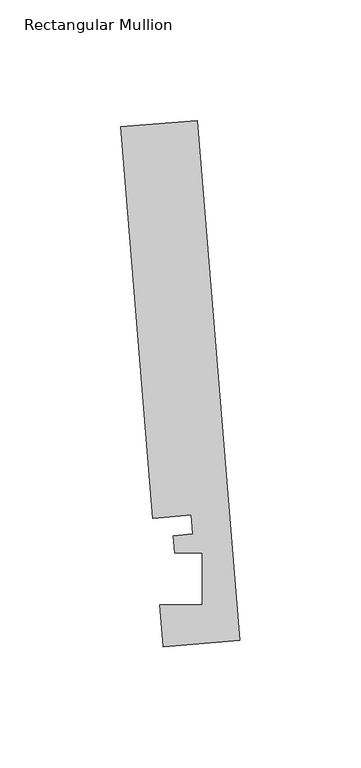
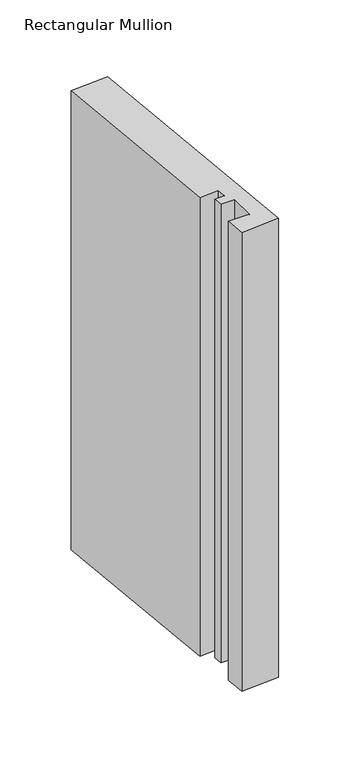
"""IFC4 building model written with IfcOpenShell, lengths in millimetres: member geometry, Rectangular Mullion."""

from ifc_helpers import new_model, si_unit, frame, origin, place, context, project, spatial, polyline, outline, extrude, source, transform, mapped, element, save


def rectangular_mullion_0befadf5(model_context):
    return source(origin(), model_context, "Body", "SweptSolid", [
        extrude(outline(polyline([(-0.2190396, 2.6699364), (-31.8627302, 0.0739116), (-33.2772473, 17.315866), (-15.8506254, 17.315866), (-15.848851, 38.9474576), (-27.100463, 38.9474576), (-27.6861262, 46.0862742), (-19.7625461, 46.7363188), (-20.4084371, 54.6092691), (-36.2302824, 53.3112566), (-49.5364672, 215.5041572), (-17.8927766, 218.100182), (-0.2190396, 2.6699364)])), frame((0.0, 0.0, -402.6517983), z_axis=(0.0, 0.0, 1.0), x_axis=(1.0, 0.0, 0.0)), (0.0, 0.0, 1.0), 402.6517983),
    ])


if __name__ == "__main__":
    model = new_model("IFC4")
    model_context = context("Model", 3, world=origin())
    ifc_project = project(units=[si_unit("LENGTHUNIT", "METRE", prefix="MILLI")], contexts=[model_context])
    site = spatial("IfcSite", under=ifc_project)
    building = spatial("IfcBuilding", under=site)
    placement = place(None, origin())
    rectangular_mullion_shape = rectangular_mullion_0befadf5(model_context)
    element("IfcMember", 1, ObjectType="Rectangular Mullion", at=placement, inside=building, context=model_context, shape_type="MappedRepresentation", body=[
        mapped(rectangular_mullion_shape, transform((0.0, 0.0, 0.0), x_axis=(1.0, 0.0, 0.0), y_axis=(0.0, 1.0, 0.0), z_axis=(0.0, 0.0, 1.0))),
    ])
    save(model, "model.ifc")
